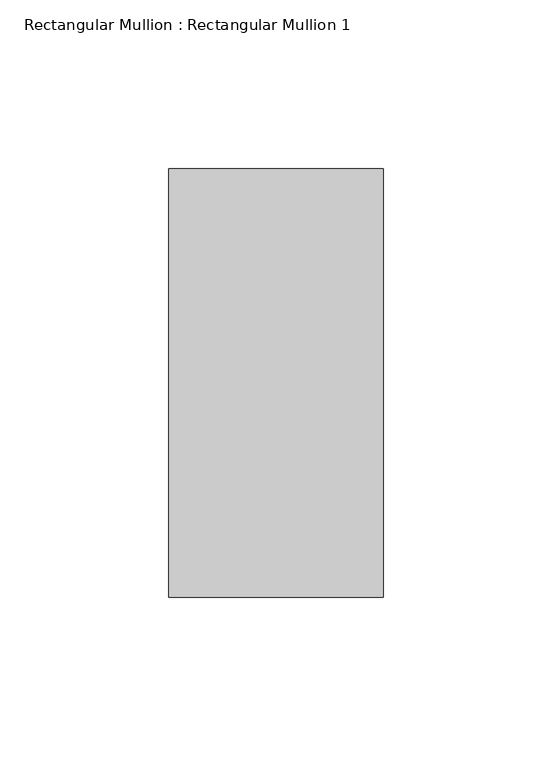
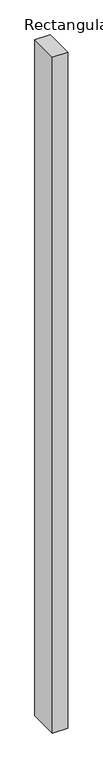
"""IFC4 building model written with IfcOpenShell, lengths in millimetres: member geometry, Rectangular Mullion : Rectangular Mullion 1."""

import ifcopenshell
import ifcopenshell.guid

model = None  # the IFC model being written
_history = None  # IfcOwnerHistory: only IFC2X3 demands one
_inside = {}  # id of a spatial element -> (the spatial element, [elements in it])
_under = {}  # id of a project, library or spatial element -> (it, [spatial elements below it])
_declared = {}  # id of a project -> (the project, [libraries it declares])
_typed = {}  # id of a type object -> (the type object, [elements of that type])
_made_of = {}  # id of a material, layer set ... -> (it, [elements and type objects made of it])


def new_model(schema):
    """Start an empty IFC model of exactly this schema.

    Asked for "IFC4X3", IfcOpenShell would pick the latest addendum, in which some entities
    have other attributes; the version numbers below select the first issue.
    IFC2X3 requires an IfcOwnerHistory on every rooted entity: one is made here for all.
    """
    global model, _history
    if schema == "IFC4X3":
        model = ifcopenshell.file(schema_version=(4, 3, 0, 0))
    else:
        model = ifcopenshell.file(schema=schema)
    _inside.clear()
    _under.clear()
    _declared.clear()
    _typed.clear()
    _made_of.clear()
    _history = None
    if model.schema == "IFC2X3":
        org = make("IfcOrganization", Name="unknown")
        user = make(
            "IfcPersonAndOrganization",
            ThePerson=make("IfcPerson", FamilyName="unknown"),
            TheOrganization=org,
        )
        app = make(
            "IfcApplication",
            ApplicationDeveloper=org,
            Version="unknown",
            ApplicationFullName="unknown",
            ApplicationIdentifier="unknown",
        )
        _history = make(
            "IfcOwnerHistory",
            OwningUser=user,
            OwningApplication=app,
            ChangeAction="ADDED",
            CreationDate=0,
        )
    return model


def make(cls, **values):
    """One entity of the class cls with the attributes given. An attribute that is None is left unset."""
    return model.create_entity(
        cls, **{name: value for name, value in values.items() if value is not None}
    )


def rooted(cls, **values):
    """An entity with a GlobalId (a new one), such as an element, a storey or a relation."""
    return make(cls, GlobalId=ifcopenshell.guid.new(), OwnerHistory=_history, **values)


def si_unit(unit_type, name, prefix=None):
    """IfcSIUnit, for example si_unit("LENGTHUNIT", "METRE", prefix="MILLI")."""
    return make("IfcSIUnit", UnitType=unit_type, Prefix=prefix, Name=name)


def assignment(units):
    """IfcUnitAssignment: the units of a project."""
    return None if units is None else make("IfcUnitAssignment", Units=units)


def point(xyz):
    """IfcCartesianPoint."""
    return None if xyz is None else make("IfcCartesianPoint", Coordinates=xyz)


def direction(xyz):
    """IfcDirection."""
    return None if xyz is None else make("IfcDirection", DirectionRatios=xyz)


def frame(location, z_axis=None, x_axis=None):
    """IfcAxis2Placement3D, a coordinate frame: its origin and axes. An axis left out is left unset."""
    return make(
        "IfcAxis2Placement3D",
        Location=point(location),
        Axis=direction(z_axis),
        RefDirection=direction(x_axis),
    )


def origin():
    """The frame at (0, 0, 0) with its axes left unset."""
    return frame((0.0, 0.0, 0.0))


def place(relative_to, where):
    """IfcLocalPlacement: puts the frame where relative to a parent placement (None: the world)."""
    return make(
        "IfcLocalPlacement", PlacementRelTo=relative_to, RelativePlacement=where
    )


def context(
    kind, dimensions, precision=None, world=None, true_north=None, identifier=None
):
    """IfcGeometricRepresentationContext, for example the 3D "Model" context."""
    return make(
        "IfcGeometricRepresentationContext",
        ContextIdentifier=identifier,
        ContextType=kind,
        CoordinateSpaceDimension=dimensions,
        Precision=precision,
        WorldCoordinateSystem=world,
        TrueNorth=true_north,
    )


def project(units=None, contexts=None):
    """IfcProject with its units and contexts."""
    return rooted(
        "IfcProject",
        Name="project",
        RepresentationContexts=contexts,
        UnitsInContext=assignment(units),
    )


def spatial(cls, under=None, at=None, **own):
    """A site, building, storey or space (cls), placed at a placement, below another one or the project."""
    s = rooted(cls, ObjectPlacement=at, **own)
    if under is not None:
        _under.setdefault(under.id(), (under, []))[1].append(s)
    return s


def polyline(points):
    """IfcPolyline through the points."""
    return make("IfcPolyline", Points=[point(p) for p in points])


def outline(outer, holes=None, kind="AREA"):
    """IfcArbitraryClosedProfileDef: a profile drawn as a closed curve; with holes, ...WithVoids."""
    if holes is None:
        return make("IfcArbitraryClosedProfileDef", ProfileType=kind, OuterCurve=outer)
    return make(
        "IfcArbitraryProfileDefWithVoids",
        ProfileType=kind,
        OuterCurve=outer,
        InnerCurves=holes,
    )


def extrude(swept, where, along, depth):
    """IfcExtrudedAreaSolid: the profile swept, set in the frame where, extruded along a direction by depth."""
    return make(
        "IfcExtrudedAreaSolid",
        SweptArea=swept,
        Position=where,
        ExtrudedDirection=direction(along),
        Depth=depth,
    )


def shape(context_of_items, identifier, shape_type, items):
    """IfcShapeRepresentation: the items that make up one representation, for example the "Body"."""
    return make(
        "IfcShapeRepresentation",
        ContextOfItems=context_of_items,
        RepresentationIdentifier=identifier,
        RepresentationType=shape_type,
        Items=items,
    )


def source(mapping_origin, context_of_items, identifier, shape_type, items):
    """IfcRepresentationMap: a shape defined once, which mapped items show again and again."""
    return make(
        "IfcRepresentationMap",
        MappingOrigin=mapping_origin,
        MappedRepresentation=shape(context_of_items, identifier, shape_type, items),
    )


def transform(
    local_origin,
    x_axis=None,
    y_axis=None,
    z_axis=None,
    scale=None,
    scale2=None,
    scale3=None,
    uniform=True,
):
    """IfcCartesianTransformationOperator3D, or its non-uniform kind. x_axis, y_axis, z_axis: its Axis1, 2, 3."""
    if uniform:
        return make(
            "IfcCartesianTransformationOperator3D",
            Axis1=direction(x_axis),
            Axis2=direction(y_axis),
            LocalOrigin=point(local_origin),
            Scale=scale,
            Axis3=direction(z_axis),
        )
    return make(
        "IfcCartesianTransformationOperator3DnonUniform",
        Axis1=direction(x_axis),
        Axis2=direction(y_axis),
        LocalOrigin=point(local_origin),
        Scale=scale,
        Axis3=direction(z_axis),
        Scale2=scale2,
        Scale3=scale3,
    )


def mapped(mapping_source, mapping_target):
    """IfcMappedItem: shows the shape of a source again, moved by a transform."""
    return make(
        "IfcMappedItem", MappingSource=mapping_source, MappingTarget=mapping_target
    )


def made_of(thing, what):
    """Note that an element or type object is made of a material, layer set ...; save() writes the relation."""
    if what is not None:
        _made_of.setdefault(what.id(), (what, []))[1].append(thing)
    return thing


def element(
    cls,
    number,
    at=None,
    inside=None,
    cuts=None,
    type_object=None,
    material=None,
    context=None,
    identifier="Body",
    shape_type=None,
    held_by="IfcProductDefinitionShape",
    body=None,
    shapes=None,
    **own,
):
    """One element of the class cls, such as IfcWall. Its Tag is "e" and its number.

    at: its placement. inside: the storey or other place that contains it. cuts: it is an
    opening in that element (IfcRelVoidsElement). A single representation is given by context,
    identifier, shape_type and body (its items); several are given by shapes. held_by: the class
    of the entity that holds the representations. save() writes the other relations.
    """
    e = rooted(cls, Tag="e%d" % number, ObjectPlacement=at, **own)
    if body is not None:
        shapes = [shape(context, identifier, shape_type, body)]
    if shapes is not None:
        e.Representation = make(held_by, Representations=shapes)
    if inside is not None:
        _inside.setdefault(inside.id(), (inside, []))[1].append(e)
    if cuts is not None:
        rooted(
            "IfcRelVoidsElement", RelatingBuildingElement=cuts, RelatedOpeningElement=e
        )
    if type_object is not None:
        _typed.setdefault(type_object.id(), (type_object, []))[1].append(e)
    return made_of(e, material)


def aggregate(whole, parts):
    """IfcRelAggregates: a whole, such as a stair, and the parts it consists of."""
    return rooted("IfcRelAggregates", RelatingObject=whole, RelatedObjects=parts)


def save(model, path):
    """Write the relations noted so far, then the file.

    IfcRelAggregates (storeys below a building ...), IfcRelContainedInSpatialStructure (elements
    in a storey), IfcRelDefinesByType, IfcRelAssociatesMaterial and IfcRelDeclares: one each for
    every whole, place, type object, material and project.
    """
    for whole, parts in _under.values():
        aggregate(whole, parts)
    for where, things in _inside.values():
        rooted(
            "IfcRelContainedInSpatialStructure",
            RelatedElements=things,
            RelatingStructure=where,
        )
    for kind, things in _typed.values():
        rooted("IfcRelDefinesByType", RelatedObjects=things, RelatingType=kind)
    for what, things in _made_of.values():
        rooted("IfcRelAssociatesMaterial", RelatedObjects=things, RelatingMaterial=what)
    for by, libraries in _declared.values():
        rooted("IfcRelDeclares", RelatingContext=by, RelatedDefinitions=libraries)
    model.write(path)


def rectangular_mullion_rectangular_mullion_1_8cef0660(model_context):
    return source(origin(), model_context, "Body", "SweptSolid", [
        extrude(outline(polyline([(31.75, 63.5), (31.75, -63.5), (-31.75, -63.5), (-31.75, 63.5), (31.75, 63.5)])), frame((0.0, 0.0, -2984.5), z_axis=(0.0, 0.0, 1.0), x_axis=(1.0, 0.0, 0.0)), (0.0, 0.0, 1.0), 2984.5),
    ])


if __name__ == "__main__":
    model = new_model("IFC4")
    model_context = context("Model", 3, world=origin())
    ifc_project = project(units=[si_unit("LENGTHUNIT", "METRE", prefix="MILLI")], contexts=[model_context])
    site = spatial("IfcSite", under=ifc_project)
    building = spatial("IfcBuilding", under=site)
    placement = place(None, origin())
    rectangular_mullion_rectangular_mullion_1_shape = rectangular_mullion_rectangular_mullion_1_8cef0660(model_context)
    element("IfcMember", 1, ObjectType="Rectangular Mullion : Rectangular Mullion 1", at=placement, inside=building, context=model_context, shape_type="MappedRepresentation", body=[
        mapped(rectangular_mullion_rectangular_mullion_1_shape, transform((0.0, 0.0, 0.0), x_axis=(1.0, 0.0, 0.0), y_axis=(0.0, 1.0, 0.0), z_axis=(0.0, 0.0, 1.0))),
    ])
    save(model, "model.ifc")
